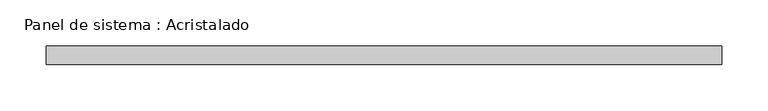
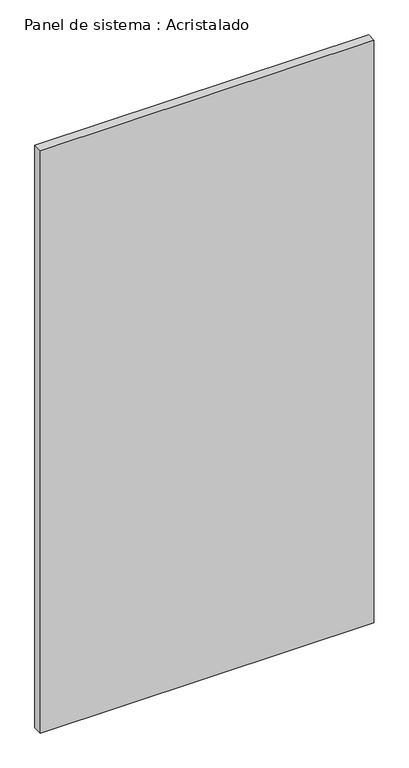
"""IFC4 building model written with IfcOpenShell, lengths in millimetres: plate geometry, Panel de sistema : Acristalado."""

from ifc_helpers import new_model, si_unit, origin, origin_with_axes, place, context, project, spatial, polyline, outline, extrude, source, transform, mapped, element, save


def panel_de_sistema_acristalado_b8eb443c(model_context):
    return source(origin(), model_context, "Body", "SweptSolid", [
        extrude(outline(polyline([(365.6666667, -10.0), (-365.6666667, -10.0), (-365.6666667, 10.0), (365.6666667, 10.0), (365.6666667, -10.0)])), origin_with_axes(), (0.0, 0.0, 1.0), 1350.0),
    ])


if __name__ == "__main__":
    model = new_model("IFC4")
    model_context = context("Model", 3, world=origin())
    ifc_project = project(units=[si_unit("LENGTHUNIT", "METRE", prefix="MILLI")], contexts=[model_context])
    site = spatial("IfcSite", under=ifc_project)
    building = spatial("IfcBuilding", under=site)
    placement = place(None, origin())
    panel_de_sistema_acristalado_shape = panel_de_sistema_acristalado_b8eb443c(model_context)
    element("IfcPlate", 1, ObjectType="Panel de sistema : Acristalado", at=placement, inside=building, context=model_context, shape_type="MappedRepresentation", body=[
        mapped(panel_de_sistema_acristalado_shape, transform((0.0, 0.0, 0.0), x_axis=(1.0, 0.0, 0.0), y_axis=(0.0, 1.0, 0.0), z_axis=(0.0, 0.0, 1.0))),
    ])
    save(model, "model.ifc")
